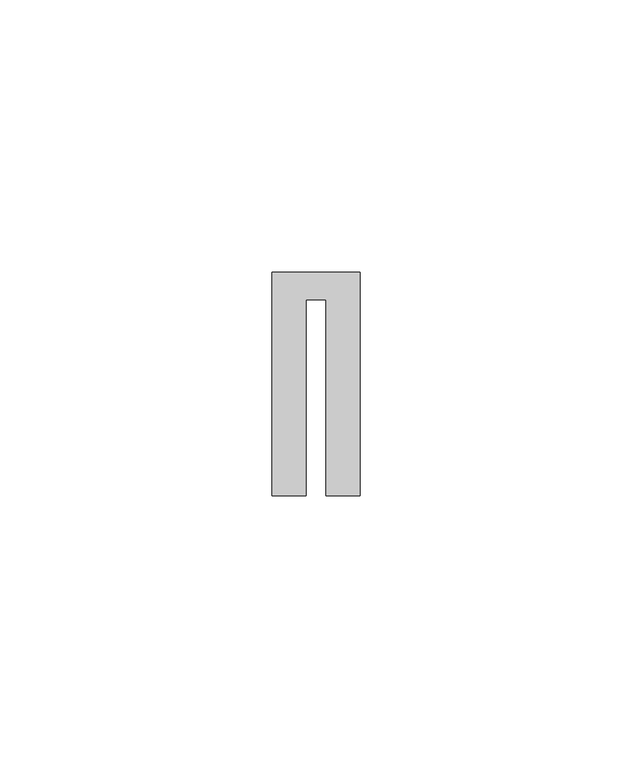
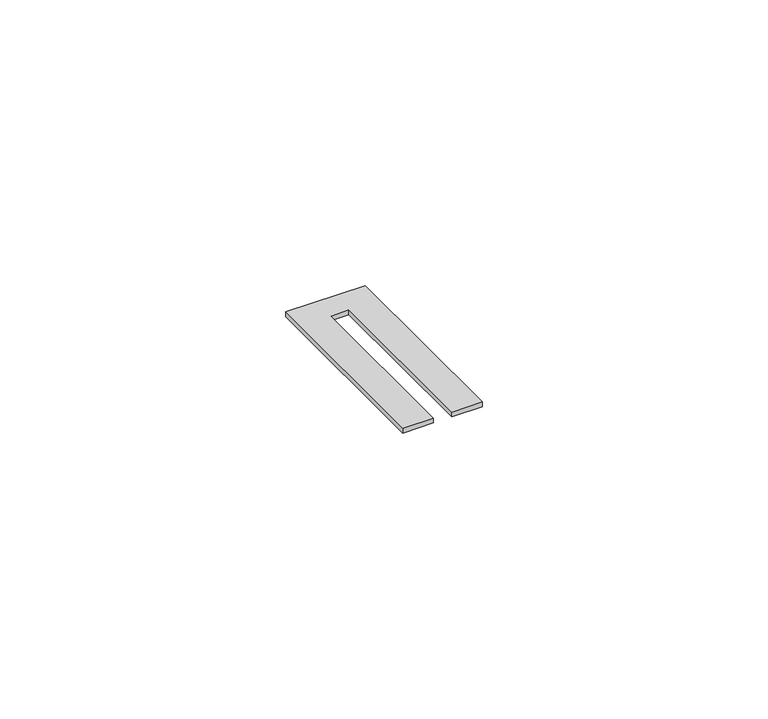
"""IFC4 building model written with IfcOpenShell, lengths in millimetres: proxy geometry."""

from ifc_helpers import new_model, si_unit, origin, origin_with_axes, place, context, project, spatial, polyline, outline, extrude, source, transform, mapped, element, save


def generic_models_3876fd47(model_context):
    return source(origin(), model_context, "Body", "SweptSolid", [
        extrude(outline(polyline([(9.9, 5.0), (9.9, -36.0), (3.7, -36.0), (3.7, 0.0), (0.0, 0.0), (0.0, -36.0), (-6.2, -36.0), (-6.2, 5.0), (9.9, 5.0)])), origin_with_axes(), (0.0, 0.0, 1.0), 1.0),
    ])


if __name__ == "__main__":
    model = new_model("IFC4")
    model_context = context("Model", 3, world=origin())
    ifc_project = project(units=[si_unit("LENGTHUNIT", "METRE", prefix="MILLI")], contexts=[model_context])
    site = spatial("IfcSite", under=ifc_project)
    building = spatial("IfcBuilding", under=site)
    placement = place(None, origin())
    generic_models_shape = generic_models_3876fd47(model_context)
    element("IfcBuildingElementProxy", 1, Name="Generic Models", at=placement, inside=building, context=model_context, shape_type="MappedRepresentation", body=[
        mapped(generic_models_shape, transform((0.0, 0.0, 0.0), x_axis=(1.0, 0.0, 0.0), y_axis=(0.0, 1.0, 0.0), z_axis=(0.0, 0.0, 1.0))),
    ])
    save(model, "model.ifc")
